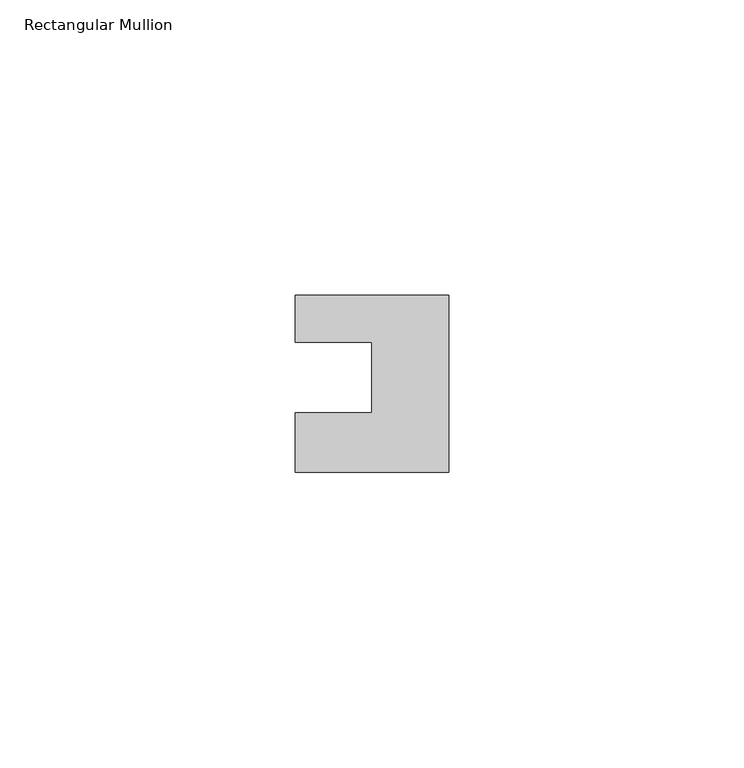
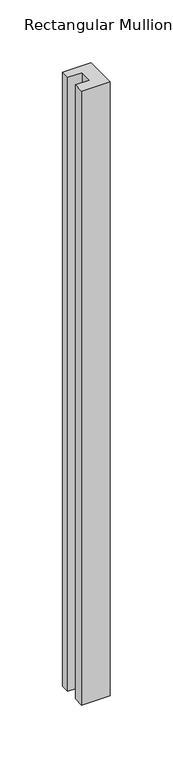
"""IFC4 building model written with IfcOpenShell, lengths in millimetres: member geometry, Rectangular Mullion."""

from ifc_helpers import new_model, si_unit, frame, origin, place, context, project, spatial, polyline, outline, extrude, source, transform, mapped, element, save


def rectangular_mullion_c6f46630(model_context):
    return source(origin(), model_context, "Body", "SweptSolid", [
        extrude(outline(polyline([(-26.0, 0.001), (-26.0, 7.94), (0.0, 7.94), (0.0, -22.06), (-26.0, -22.06), (-26.0, -12.0), (-13.0, -12.0), (-13.0, 0.001), (-26.0, 0.001)])), frame((0.0, 0.0, -594.8963605), z_axis=(0.0, 0.0, 1.0), x_axis=(1.0, 0.0, 0.0)), (0.0, 0.0, 1.0), 594.8963605),
    ])


if __name__ == "__main__":
    model = new_model("IFC4")
    model_context = context("Model", 3, world=origin())
    ifc_project = project(units=[si_unit("LENGTHUNIT", "METRE", prefix="MILLI")], contexts=[model_context])
    site = spatial("IfcSite", under=ifc_project)
    building = spatial("IfcBuilding", under=site)
    placement = place(None, origin())
    rectangular_mullion_shape = rectangular_mullion_c6f46630(model_context)
    element("IfcMember", 1, ObjectType="Rectangular Mullion", at=placement, inside=building, context=model_context, shape_type="MappedRepresentation", body=[
        mapped(rectangular_mullion_shape, transform((0.0, 0.0, 0.0), x_axis=(1.0, 0.0, 0.0), y_axis=(0.0, 1.0, 0.0), z_axis=(0.0, 0.0, 1.0))),
    ])
    save(model, "model.ifc")
